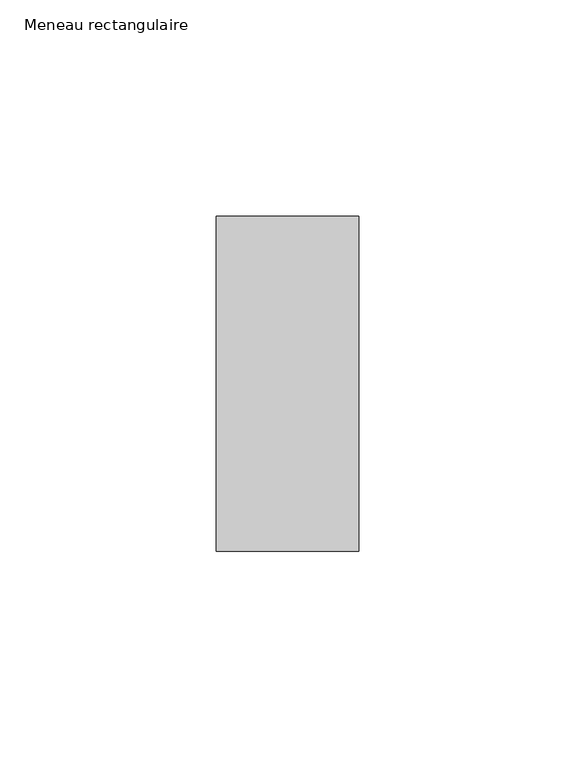
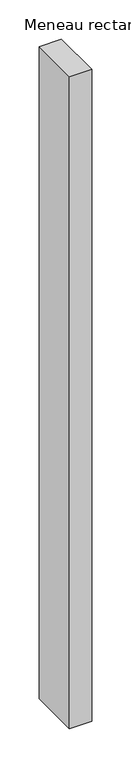
"""IFC4 building model written with IfcOpenShell, lengths in millimetres: member geometry, Meneau rectangulaire."""

from ifc_helpers import new_model, si_unit, frame, origin, place, context, project, spatial, polyline, outline, extrude, source, transform, mapped, element, save


def meneau_rectangulaire_2c07fc9b(model_context):
    return source(origin(), model_context, "Body", "SweptSolid", [
        extrude(outline(polyline([(0.0, 38.75), (0.0, -38.75), (-33.0, -38.75), (-33.0, 38.75), (0.0, 38.75)])), frame((0.0, 0.0, -1018.2164022), z_axis=(0.0, 0.0, 1.0), x_axis=(1.0, 0.0, 0.0)), (0.0, 0.0, 1.0), 1018.2164022),
    ])


if __name__ == "__main__":
    model = new_model("IFC4")
    model_context = context("Model", 3, world=origin())
    ifc_project = project(units=[si_unit("LENGTHUNIT", "METRE", prefix="MILLI")], contexts=[model_context])
    site = spatial("IfcSite", under=ifc_project)
    building = spatial("IfcBuilding", under=site)
    placement = place(None, origin())
    meneau_rectangulaire_shape = meneau_rectangulaire_2c07fc9b(model_context)
    element("IfcMember", 1, ObjectType="Meneau rectangulaire", at=placement, inside=building, context=model_context, shape_type="MappedRepresentation", body=[
        mapped(meneau_rectangulaire_shape, transform((0.0, 0.0, 0.0), x_axis=(1.0, 0.0, 0.0), y_axis=(0.0, 1.0, 0.0), z_axis=(0.0, 0.0, 1.0))),
    ])
    save(model, "model.ifc")
